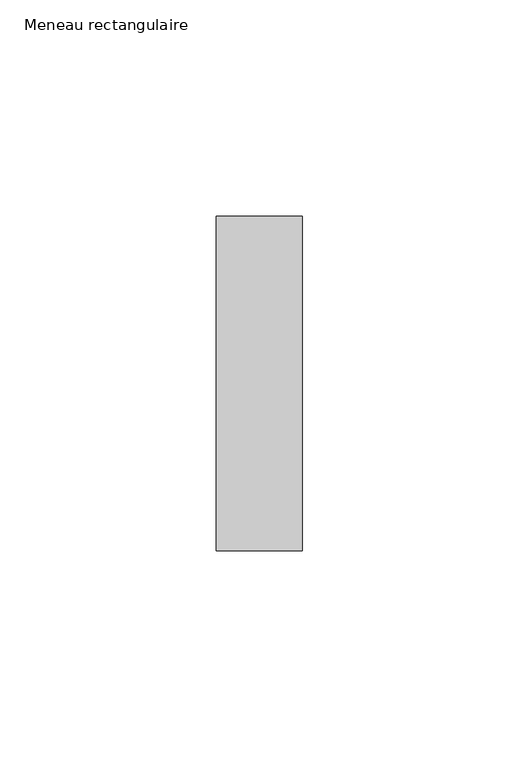
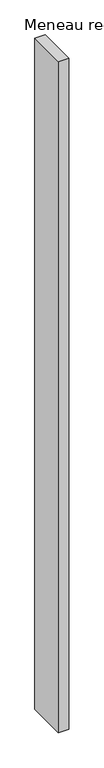
"""IFC4 building model written with IfcOpenShell, lengths in millimetres: member geometry, Meneau rectangulaire."""

from ifc_helpers import new_model, si_unit, frame, origin, place, context, project, spatial, polyline, outline, extrude, source, transform, mapped, element, save


def meneau_rectangulaire_c2232409(model_context):
    return source(origin(), model_context, "Body", "SweptSolid", [
        extrude(outline(polyline([(0.0, 38.75), (0.0, -38.75), (-20.0, -38.75), (-20.0, 38.75), (0.0, 38.75)])), frame((0.0, 0.0, -1356.5833332), z_axis=(0.0, 0.0, 1.0), x_axis=(1.0, 0.0, 0.0)), (0.0, 0.0, 1.0), 1356.5833332),
    ])


if __name__ == "__main__":
    model = new_model("IFC4")
    model_context = context("Model", 3, world=origin())
    ifc_project = project(units=[si_unit("LENGTHUNIT", "METRE", prefix="MILLI")], contexts=[model_context])
    site = spatial("IfcSite", under=ifc_project)
    building = spatial("IfcBuilding", under=site)
    placement = place(None, origin())
    meneau_rectangulaire_shape = meneau_rectangulaire_c2232409(model_context)
    element("IfcMember", 1, ObjectType="Meneau rectangulaire", at=placement, inside=building, context=model_context, shape_type="MappedRepresentation", body=[
        mapped(meneau_rectangulaire_shape, transform((0.0, 0.0, 0.0), x_axis=(1.0, 0.0, 0.0), y_axis=(0.0, 1.0, 0.0), z_axis=(0.0, 0.0, 1.0))),
    ])
    save(model, "model.ifc")
